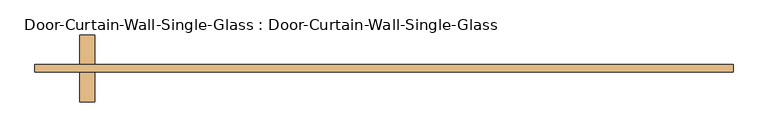
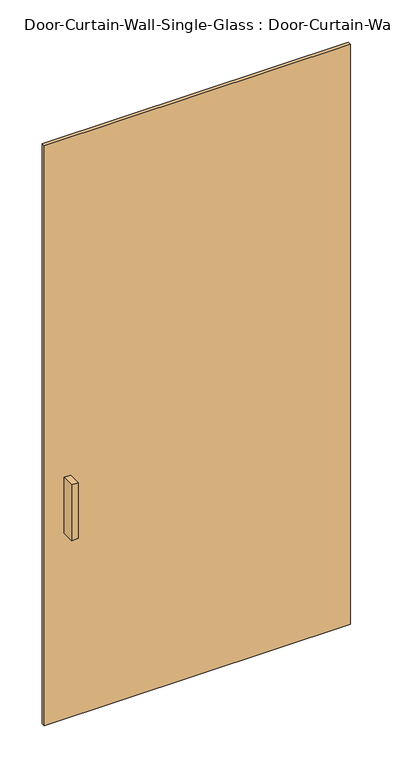
"""IFC4 building model written with IfcOpenShell, lengths in millimetres: door geometry, Door-Curtain-Wall-Single-Glass : Door-Curtain-Wall-Single-Glass."""

from ifc_helpers import new_model, si_unit, frame, origin, origin_with_axes, place, context, project, spatial, polyline, outline, extrude, source, transform, mapped, element, save


def door_curtain_wall_single_glass_door_curtain_wall_single_5bc85688(model_context):
    return source(origin(), model_context, "Body", "SweptSolid", [
        extrude(outline(polyline([(593.725, 50.8), (593.725, 38.1), (-593.725, 38.1), (-593.725, 50.8), (593.725, 50.8)])), origin_with_axes(), (0.0, 0.0, 1.0), 2374.9),
        extrude(outline(polyline([(-492.125, -12.7), (-517.525, -12.7), (-517.525, 38.1), (-492.125, 38.1), (-492.125, -12.7)])), frame((0.0, 0.0, 762.0), z_axis=(0.0, 0.0, 1.0), x_axis=(1.0, 0.0, 0.0)), (0.0, 0.0, 1.0), 228.6),
        extrude(outline(polyline([(-517.525, 101.6), (-492.125, 101.6), (-492.125, 50.8), (-517.525, 50.8), (-517.525, 101.6)])), frame((0.0, 0.0, 762.0), z_axis=(0.0, 0.0, 1.0), x_axis=(1.0, 0.0, 0.0)), (0.0, 0.0, 1.0), 228.6),
    ])


if __name__ == "__main__":
    model = new_model("IFC4")
    model_context = context("Model", 3, world=origin())
    ifc_project = project(units=[si_unit("LENGTHUNIT", "METRE", prefix="MILLI")], contexts=[model_context])
    site = spatial("IfcSite", under=ifc_project)
    building = spatial("IfcBuilding", under=site)
    placement = place(None, origin())
    door_curtain_wall_single_glass_door_curtain_wall_single_shape = door_curtain_wall_single_glass_door_curtain_wall_single_5bc85688(model_context)
    element("IfcDoor", 1, ObjectType="Door-Curtain-Wall-Single-Glass : Door-Curtain-Wall-Single-Glass", at=placement, inside=building, context=model_context, shape_type="MappedRepresentation", body=[
        mapped(door_curtain_wall_single_glass_door_curtain_wall_single_shape, transform((0.0, 0.0, 0.0), x_axis=(1.0, 0.0, 0.0), y_axis=(0.0, 1.0, 0.0), z_axis=(0.0, 0.0, 1.0))),
    ])
    save(model, "model.ifc")
